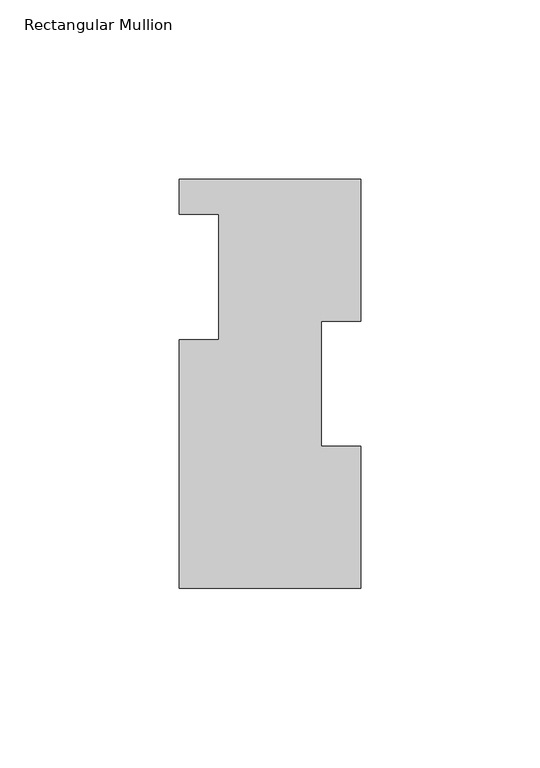
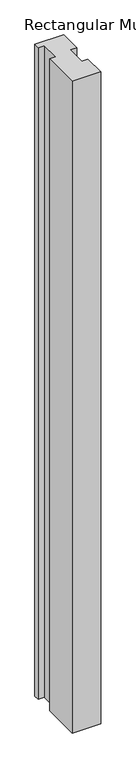
"""IFC4 building model written with IfcOpenShell, lengths in millimetres: member geometry, Rectangular Mullion."""

from ifc_helpers import new_model, si_unit, frame, origin, place, context, project, spatial, polyline, outline, extrude, source, transform, mapped, element, save


def rectangular_mullion_13057d96(model_context):
    return source(origin(), model_context, "Body", "SweptSolid", [
        extrude(outline(polyline([(-25.4, 114.0729875), (25.4, 114.0729875), (25.4, 74.3981875), (14.2875, 74.3981875), (14.2875, 39.4477875), (25.4, 39.4477875), (25.4, -0.2270125), (-25.4, -0.2270125), (-25.4, 69.2419875), (-14.2875, 69.2419875), (-14.2875, 104.1669875), (-25.4, 104.1669875), (-25.4, 114.0729875)])), frame((0.0, 0.0, -1219.2), z_axis=(0.0, 0.0, 1.0), x_axis=(1.0, 0.0, 0.0)), (0.0, 0.0, 1.0), 1219.2),
    ])


if __name__ == "__main__":
    model = new_model("IFC4")
    model_context = context("Model", 3, world=origin())
    ifc_project = project(units=[si_unit("LENGTHUNIT", "METRE", prefix="MILLI")], contexts=[model_context])
    site = spatial("IfcSite", under=ifc_project)
    building = spatial("IfcBuilding", under=site)
    placement = place(None, origin())
    rectangular_mullion_shape = rectangular_mullion_13057d96(model_context)
    element("IfcMember", 1, ObjectType="Rectangular Mullion", at=placement, inside=building, context=model_context, shape_type="MappedRepresentation", body=[
        mapped(rectangular_mullion_shape, transform((0.0, 0.0, 0.0), x_axis=(1.0, 0.0, 0.0), y_axis=(0.0, 1.0, 0.0), z_axis=(0.0, 0.0, 1.0))),
    ])
    save(model, "model.ifc")
